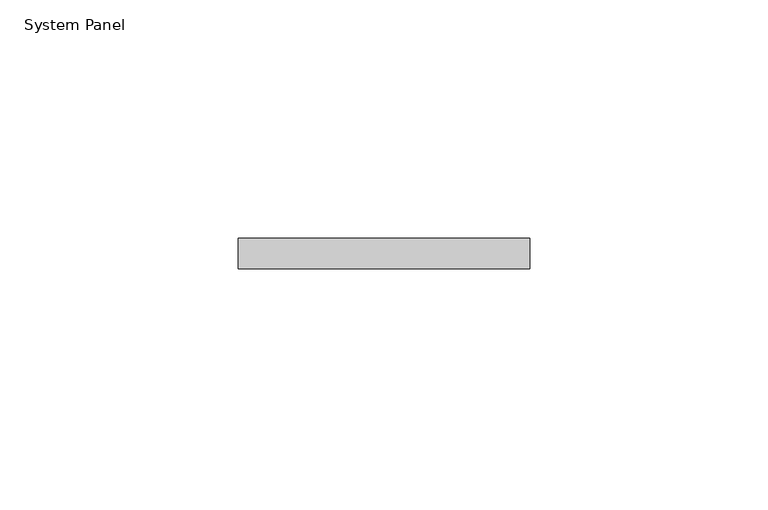
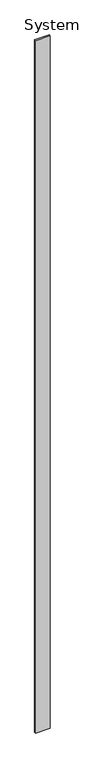
"""IFC4 building model written with IfcOpenShell, lengths in millimetres: plate geometry, System Panel."""

from ifc_helpers import new_model, si_unit, origin, origin_with_axes, place, context, project, spatial, polyline, outline, extrude, source, transform, mapped, element, save


def system_panel_c9bc2852(model_context):
    return source(origin(), model_context, "Body", "SweptSolid", [
        extrude(outline(polyline([(30.5273655, 0.0), (-30.5273655, 0.0), (-30.5273655, 6.35), (30.5273655, 6.35), (30.5273655, 0.0)])), origin_with_axes(), (0.0, 0.0, 1.0), 3048.0),
    ])


if __name__ == "__main__":
    model = new_model("IFC4")
    model_context = context("Model", 3, world=origin())
    ifc_project = project(units=[si_unit("LENGTHUNIT", "METRE", prefix="MILLI")], contexts=[model_context])
    site = spatial("IfcSite", under=ifc_project)
    building = spatial("IfcBuilding", under=site)
    placement = place(None, origin())
    system_panel_shape = system_panel_c9bc2852(model_context)
    element("IfcPlate", 1, ObjectType="System Panel", at=placement, inside=building, context=model_context, shape_type="MappedRepresentation", body=[
        mapped(system_panel_shape, transform((0.0, 0.0, 0.0), x_axis=(1.0, 0.0, 0.0), y_axis=(0.0, 1.0, 0.0), z_axis=(0.0, 0.0, 1.0))),
    ])
    save(model, "model.ifc")
